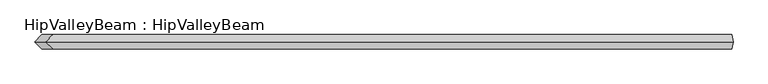
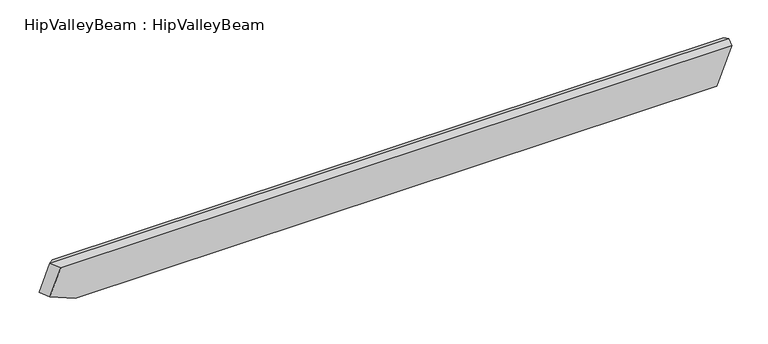
"""IFC4 building model written with IfcOpenShell, lengths in millimetres: beam geometry, HipValleyBeam : HipValleyBeam."""

from ifc_helpers import new_model, si_unit, origin, place, context, project, spatial, faceted_brep, source, transform, mapped, element, save


def hipvalleybeam_hipvalleybeam_f1fd8809(model_context):
    return source(origin(), model_context, "Body", "Brep", [
        faceted_brep([(1134.31492, 25.0, -140.0), (1134.31492, -25.0, -140.0), (-1116.3368758, -25.0, -140.0), (-1116.3368758, 25.0, -140.0), (1187.6120969, 25.0, -9.4491118), (-1206.5807152, 25.0, -103.1581068), (-1168.3241782, 25.0, -9.4491118), (1187.6120969, -25.0, -9.4491118), (-1168.3241782, -25.0, -9.4491118), (-1206.5807152, -25.0, -103.1581068), (1191.4696807, 0.0, 0.0), (-1191.4696807, 0.0, 0.0), (-1229.7262177, 0.0, -93.708995)], [[[0, 1, 2, 3]], [[4, 0, 3, 5, 6]], [[1, 7, 8, 9, 2]], [[1, 0, 4, 10, 7]], [[11, 6, 5, 12]], [[8, 11, 12, 9]], [[11, 10, 4, 6]], [[3, 2, 9, 12, 5]], [[10, 11, 8, 7]]]),
    ])


if __name__ == "__main__":
    model = new_model("IFC4")
    model_context = context("Model", 3, world=origin())
    ifc_project = project(units=[si_unit("LENGTHUNIT", "METRE", prefix="MILLI")], contexts=[model_context])
    site = spatial("IfcSite", under=ifc_project)
    building = spatial("IfcBuilding", under=site)
    placement = place(None, origin())
    hipvalleybeam_hipvalleybeam_shape = hipvalleybeam_hipvalleybeam_f1fd8809(model_context)
    element("IfcBeam", 1, ObjectType="HipValleyBeam : HipValleyBeam", at=placement, inside=building, context=model_context, shape_type="MappedRepresentation", body=[
        mapped(hipvalleybeam_hipvalleybeam_shape, transform((0.0, 0.0, 0.0), x_axis=(1.0, 0.0, 0.0), y_axis=(0.0, 1.0, 0.0), z_axis=(0.0, 0.0, 1.0))),
    ])
    save(model, "model.ifc")
